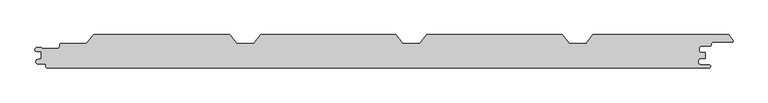
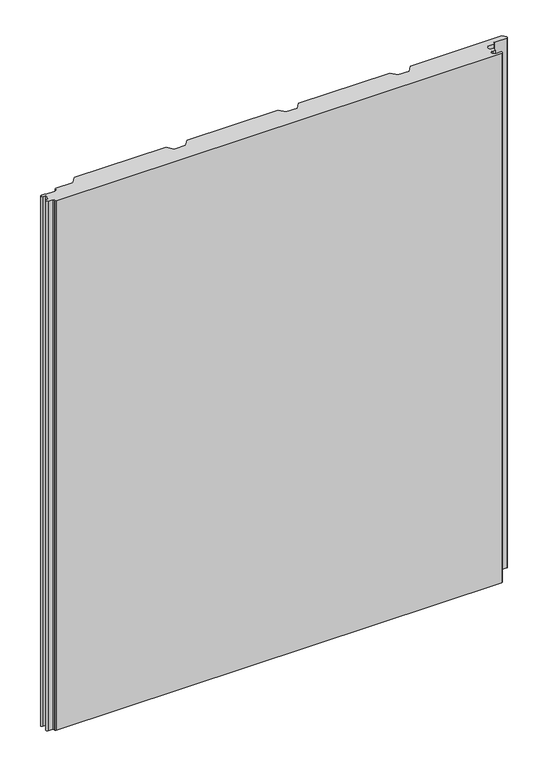
"""IFC4 building model written with IfcOpenShell, lengths in millimetres: proxy geometry."""

import ifcopenshell
import ifcopenshell.guid

model = None  # the IFC model being written
_history = None  # IfcOwnerHistory: only IFC2X3 demands one
_inside = {}  # id of a spatial element -> (the spatial element, [elements in it])
_under = {}  # id of a project, library or spatial element -> (it, [spatial elements below it])
_declared = {}  # id of a project -> (the project, [libraries it declares])
_typed = {}  # id of a type object -> (the type object, [elements of that type])
_made_of = {}  # id of a material, layer set ... -> (it, [elements and type objects made of it])


def new_model(schema):
    """Start an empty IFC model of exactly this schema.

    Asked for "IFC4X3", IfcOpenShell would pick the latest addendum, in which some entities
    have other attributes; the version numbers below select the first issue.
    IFC2X3 requires an IfcOwnerHistory on every rooted entity: one is made here for all.
    """
    global model, _history
    if schema == "IFC4X3":
        model = ifcopenshell.file(schema_version=(4, 3, 0, 0))
    else:
        model = ifcopenshell.file(schema=schema)
    _inside.clear()
    _under.clear()
    _declared.clear()
    _typed.clear()
    _made_of.clear()
    _history = None
    if model.schema == "IFC2X3":
        org = make("IfcOrganization", Name="unknown")
        user = make(
            "IfcPersonAndOrganization",
            ThePerson=make("IfcPerson", FamilyName="unknown"),
            TheOrganization=org,
        )
        app = make(
            "IfcApplication",
            ApplicationDeveloper=org,
            Version="unknown",
            ApplicationFullName="unknown",
            ApplicationIdentifier="unknown",
        )
        _history = make(
            "IfcOwnerHistory",
            OwningUser=user,
            OwningApplication=app,
            ChangeAction="ADDED",
            CreationDate=0,
        )
    return model


def make(cls, **values):
    """One entity of the class cls with the attributes given. An attribute that is None is left unset."""
    return model.create_entity(
        cls, **{name: value for name, value in values.items() if value is not None}
    )


def rooted(cls, **values):
    """An entity with a GlobalId (a new one), such as an element, a storey or a relation."""
    return make(cls, GlobalId=ifcopenshell.guid.new(), OwnerHistory=_history, **values)


def si_unit(unit_type, name, prefix=None):
    """IfcSIUnit, for example si_unit("LENGTHUNIT", "METRE", prefix="MILLI")."""
    return make("IfcSIUnit", UnitType=unit_type, Prefix=prefix, Name=name)


def assignment(units):
    """IfcUnitAssignment: the units of a project."""
    return None if units is None else make("IfcUnitAssignment", Units=units)


def point(xyz):
    """IfcCartesianPoint."""
    return None if xyz is None else make("IfcCartesianPoint", Coordinates=xyz)


def direction(xyz):
    """IfcDirection."""
    return None if xyz is None else make("IfcDirection", DirectionRatios=xyz)


def frame(location, z_axis=None, x_axis=None):
    """IfcAxis2Placement3D, a coordinate frame: its origin and axes. An axis left out is left unset."""
    return make(
        "IfcAxis2Placement3D",
        Location=point(location),
        Axis=direction(z_axis),
        RefDirection=direction(x_axis),
    )


def frame_2d(location, x_axis=None):
    """IfcAxis2Placement2D, a coordinate frame in the plane: its origin and x axis."""
    return make(
        "IfcAxis2Placement2D", Location=point(location), RefDirection=direction(x_axis)
    )


def origin():
    """The frame at (0, 0, 0) with its axes left unset."""
    return frame((0.0, 0.0, 0.0))


def origin_with_axes():
    """The frame at (0, 0, 0) with the z axis (0, 0, 1) and the x axis (1, 0, 0) written out."""
    return frame((0.0, 0.0, 0.0), z_axis=(0.0, 0.0, 1.0), x_axis=(1.0, 0.0, 0.0))


def place(relative_to, where):
    """IfcLocalPlacement: puts the frame where relative to a parent placement (None: the world)."""
    return make(
        "IfcLocalPlacement", PlacementRelTo=relative_to, RelativePlacement=where
    )


def context(
    kind, dimensions, precision=None, world=None, true_north=None, identifier=None
):
    """IfcGeometricRepresentationContext, for example the 3D "Model" context."""
    return make(
        "IfcGeometricRepresentationContext",
        ContextIdentifier=identifier,
        ContextType=kind,
        CoordinateSpaceDimension=dimensions,
        Precision=precision,
        WorldCoordinateSystem=world,
        TrueNorth=true_north,
    )


def project(units=None, contexts=None):
    """IfcProject with its units and contexts."""
    return rooted(
        "IfcProject",
        Name="project",
        RepresentationContexts=contexts,
        UnitsInContext=assignment(units),
    )


def spatial(cls, under=None, at=None, **own):
    """A site, building, storey or space (cls), placed at a placement, below another one or the project."""
    s = rooted(cls, ObjectPlacement=at, **own)
    if under is not None:
        _under.setdefault(under.id(), (under, []))[1].append(s)
    return s


def polyline(points):
    """IfcPolyline through the points."""
    return make("IfcPolyline", Points=[point(p) for p in points])


def circle_curve(where, radius):
    """IfcCircle in the frame where."""
    return make("IfcCircle", Position=where, Radius=radius)


def trimmed(basis, trim1, trim2, sense, master):
    """IfcTrimmedCurve: the piece of a basis curve between two trims."""
    return make(
        "IfcTrimmedCurve",
        BasisCurve=basis,
        Trim1=trim1,
        Trim2=trim2,
        SenseAgreement=sense,
        MasterRepresentation=master,
    )


def segment(curve, same_sense, transition):
    """IfcCompositeCurveSegment."""
    return make(
        "IfcCompositeCurveSegment",
        Transition=transition,
        SameSense=same_sense,
        ParentCurve=curve,
    )


def composite_curve(segments, self_intersect=None):
    """IfcCompositeCurve: segments joined end to end."""
    return make("IfcCompositeCurve", Segments=segments, SelfIntersect=self_intersect)


def outline(outer, holes=None, kind="AREA"):
    """IfcArbitraryClosedProfileDef: a profile drawn as a closed curve; with holes, ...WithVoids."""
    if holes is None:
        return make("IfcArbitraryClosedProfileDef", ProfileType=kind, OuterCurve=outer)
    return make(
        "IfcArbitraryProfileDefWithVoids",
        ProfileType=kind,
        OuterCurve=outer,
        InnerCurves=holes,
    )


def extrude(swept, where, along, depth):
    """IfcExtrudedAreaSolid: the profile swept, set in the frame where, extruded along a direction by depth."""
    return make(
        "IfcExtrudedAreaSolid",
        SweptArea=swept,
        Position=where,
        ExtrudedDirection=direction(along),
        Depth=depth,
    )


def shape(context_of_items, identifier, shape_type, items):
    """IfcShapeRepresentation: the items that make up one representation, for example the "Body"."""
    return make(
        "IfcShapeRepresentation",
        ContextOfItems=context_of_items,
        RepresentationIdentifier=identifier,
        RepresentationType=shape_type,
        Items=items,
    )


def source(mapping_origin, context_of_items, identifier, shape_type, items):
    """IfcRepresentationMap: a shape defined once, which mapped items show again and again."""
    return make(
        "IfcRepresentationMap",
        MappingOrigin=mapping_origin,
        MappedRepresentation=shape(context_of_items, identifier, shape_type, items),
    )


def transform(
    local_origin,
    x_axis=None,
    y_axis=None,
    z_axis=None,
    scale=None,
    scale2=None,
    scale3=None,
    uniform=True,
):
    """IfcCartesianTransformationOperator3D, or its non-uniform kind. x_axis, y_axis, z_axis: its Axis1, 2, 3."""
    if uniform:
        return make(
            "IfcCartesianTransformationOperator3D",
            Axis1=direction(x_axis),
            Axis2=direction(y_axis),
            LocalOrigin=point(local_origin),
            Scale=scale,
            Axis3=direction(z_axis),
        )
    return make(
        "IfcCartesianTransformationOperator3DnonUniform",
        Axis1=direction(x_axis),
        Axis2=direction(y_axis),
        LocalOrigin=point(local_origin),
        Scale=scale,
        Axis3=direction(z_axis),
        Scale2=scale2,
        Scale3=scale3,
    )


def mapped(mapping_source, mapping_target):
    """IfcMappedItem: shows the shape of a source again, moved by a transform."""
    return make(
        "IfcMappedItem", MappingSource=mapping_source, MappingTarget=mapping_target
    )


def made_of(thing, what):
    """Note that an element or type object is made of a material, layer set ...; save() writes the relation."""
    if what is not None:
        _made_of.setdefault(what.id(), (what, []))[1].append(thing)
    return thing


def element(
    cls,
    number,
    at=None,
    inside=None,
    cuts=None,
    type_object=None,
    material=None,
    context=None,
    identifier="Body",
    shape_type=None,
    held_by="IfcProductDefinitionShape",
    body=None,
    shapes=None,
    **own,
):
    """One element of the class cls, such as IfcWall. Its Tag is "e" and its number.

    at: its placement. inside: the storey or other place that contains it. cuts: it is an
    opening in that element (IfcRelVoidsElement). A single representation is given by context,
    identifier, shape_type and body (its items); several are given by shapes. held_by: the class
    of the entity that holds the representations. save() writes the other relations.
    """
    e = rooted(cls, Tag="e%d" % number, ObjectPlacement=at, **own)
    if body is not None:
        shapes = [shape(context, identifier, shape_type, body)]
    if shapes is not None:
        e.Representation = make(held_by, Representations=shapes)
    if inside is not None:
        _inside.setdefault(inside.id(), (inside, []))[1].append(e)
    if cuts is not None:
        rooted(
            "IfcRelVoidsElement", RelatingBuildingElement=cuts, RelatedOpeningElement=e
        )
    if type_object is not None:
        _typed.setdefault(type_object.id(), (type_object, []))[1].append(e)
    return made_of(e, material)


def aggregate(whole, parts):
    """IfcRelAggregates: a whole, such as a stair, and the parts it consists of."""
    return rooted("IfcRelAggregates", RelatingObject=whole, RelatedObjects=parts)


def save(model, path):
    """Write the relations noted so far, then the file.

    IfcRelAggregates (storeys below a building ...), IfcRelContainedInSpatialStructure (elements
    in a storey), IfcRelDefinesByType, IfcRelAssociatesMaterial and IfcRelDeclares: one each for
    every whole, place, type object, material and project.
    """
    for whole, parts in _under.values():
        aggregate(whole, parts)
    for where, things in _inside.values():
        rooted(
            "IfcRelContainedInSpatialStructure",
            RelatedElements=things,
            RelatingStructure=where,
        )
    for kind, things in _typed.values():
        rooted("IfcRelDefinesByType", RelatedObjects=things, RelatingType=kind)
    for what, things in _made_of.values():
        rooted("IfcRelAssociatesMaterial", RelatedObjects=things, RelatingMaterial=what)
    for by, libraries in _declared.values():
        rooted("IfcRelDeclares", RelatingContext=by, RelatedDefinitions=libraries)
    model.write(path)


def generic_models_ed605fe6(model_context):
    return source(origin(), model_context, "Body", "SweptSolid", [
        extrude(outline(composite_curve([segment(trimmed(circle_curve(frame_2d((497.8, -22.8)), 2.2), [point((497.8, -20.6))], [point((500.0, -22.8))], False, "CARTESIAN"), True, "CONTINUOUS"), segment(trimmed(circle_curve(frame_2d((497.8, -22.8)), 2.2), [point((500.0, -22.8))], [point((497.8, -25.0))], False, "CARTESIAN"), True, "CONTINUOUS"), segment(polyline([(497.8, -25.0), (-498.3, -25.0)]), True, "CONTINUOUS"), segment(trimmed(circle_curve(frame_2d((-498.3, -23.3)), 1.7), [point((-498.3, -25.0))], [point((-500.0, -23.3))], False, "CARTESIAN"), True, "CONTINUOUS"), segment(polyline([(-500.0, -23.3), (-500.0, -21.2)]), True, "CONTINUOUS"), segment(trimmed(circle_curve(frame_2d((-502.3, -21.2)), 2.3), [point((-500.0, -21.2))], [point((-502.3, -18.9))], True, "CARTESIAN"), True, "CONTINUOUS"), segment(polyline([(-502.3, -18.9), (-512.1, -18.9)]), True, "CONTINUOUS"), segment(trimmed(circle_curve(frame_2d((-512.1, -15.6)), 3.3), [point((-512.1, -18.9))], [point((-512.8423385, -12.3845788))], False, "CARTESIAN"), True, "CONTINUOUS"), segment(polyline([(-512.8423385, -12.3845788), (-507.347117, -11.115907), (-507.347117, -0.4369697), (-513.6706314, -0.4369697)]), True, "CONTINUOUS"), segment(trimmed(circle_curve(frame_2d((-513.6706314, 2.5444825)), 2.9814522), [point((-513.6706314, -0.4369697))], [point((-513.6706314, 5.5259348))], False, "CARTESIAN"), True, "CONTINUOUS"), segment(polyline([(-513.6706314, 5.5259348), (-507.3945609, 5.5259348)]), True, "CONTINUOUS"), segment(trimmed(circle_curve(frame_2d((-508.5138365, 3.7784532)), 2.0752035), [point((-507.3945609, 5.5259348))], [point((-506.7792948, 4.9176786))], False, "CARTESIAN"), True, "CONTINUOUS"), segment(trimmed(circle_curve(frame_2d((-505.0374222, 5.9004705)), 2.0), [point((-506.7792948, 4.9176786))], [point((-505.0374222, 3.9004705))], True, "CARTESIAN"), True, "CONTINUOUS"), segment(polyline([(-505.0374222, 3.9004705), (-482.9999474, 3.9004705)]), True, "CONTINUOUS"), segment(trimmed(circle_curve(frame_2d((-482.9999474, 7.3004705)), 3.4), [point((-482.9999474, 3.9004705))], [point((-479.5999474, 7.3004705))], True, "CARTESIAN"), True, "CONTINUOUS"), segment(polyline([(-479.5999474, 7.3004705), (-479.5999474, 9.6001056)]), True, "CONTINUOUS"), segment(trimmed(circle_curve(frame_2d((-477.1999474, 9.6001056)), 2.4), [point((-479.5999474, 9.6001056))], [point((-477.1999474, 12.0001056))], False, "CARTESIAN"), True, "CONTINUOUS"), segment(polyline([(-477.1999474, 12.0001056), (-440.0250086, 12.0001056)]), True, "CONTINUOUS"), segment(trimmed(circle_curve(frame_2d((-440.0250086, 14.4001056)), 2.4), [point((-440.0250086, 12.0001056))], [point((-438.1509234, 12.9008374))], True, "CARTESIAN"), True, "CONTINUOUS"), segment(polyline([(-438.1509234, 12.9008374), (-429.1021057, 24.2118596)]), True, "CONTINUOUS"), segment(trimmed(circle_curve(frame_2d((-427.4622812, 22.9)), 2.1), [point((-429.1021057, 24.2118596))], [point((-427.4622812, 25.0))], False, "CARTESIAN"), True, "CONTINUOUS"), segment(polyline([(-427.4622812, 25.0), (-223.3843192, 25.0), (-212.9844163, 12.0), (-187.3999029, 12.0), (-177.0, 25.0), (26.6156808, 25.0), (37.0155837, 12.0), (62.6000971, 12.0), (73.0, 25.0), (276.6156808, 25.0), (287.0155837, 12.0), (312.6000971, 12.0), (323.0, 25.0), (527.1673425, 25.0), (533.3977704, 17.2119652)]), True, "CONTINUOUS"), segment(trimmed(circle_curve(frame_2d((531.7579459, 15.9001056)), 2.1), [point((533.3977704, 17.2119652))], [point((531.7579459, 13.8001056))], False, "CARTESIAN"), True, "CONTINUOUS"), segment(polyline([(531.7579459, 13.8001056), (503.3603917, 13.8001056)]), True, "CONTINUOUS"), segment(trimmed(circle_curve(frame_2d((503.3603917, 11.8001056)), 2.0), [point((503.3603917, 13.8001056))], [point((501.3603917, 11.8001056))], True, "CARTESIAN"), True, "CONTINUOUS"), segment(polyline([(501.3603917, 11.8001056), (501.3603917, 9.8331556)]), True, "CONTINUOUS"), segment(trimmed(circle_curve(frame_2d((499.3603917, 9.8331556)), 2.0), [point((501.3603917, 9.8331556))], [point((499.3603917, 7.8331556))], False, "CARTESIAN"), True, "CONTINUOUS"), segment(polyline([(499.3603917, 7.8331556), (485.634822, 7.8331556)]), True, "CONTINUOUS"), segment(trimmed(circle_curve(frame_2d((485.634822, 5.0831556)), 2.7499999), [point((485.634822, 7.8331556))], [point((482.8848221, 5.0831556))], True, "CARTESIAN"), True, "CONTINUOUS"), segment(polyline([(482.8848221, 5.0831556), (482.8848221, 0.5831555)]), True, "CONTINUOUS"), segment(trimmed(circle_curve(frame_2d((485.634822, 0.5831555)), 2.7499999), [point((482.8848221, 0.5831555))], [point((485.634822, -2.1668444))], True, "CARTESIAN"), True, "CONTINUOUS"), segment(polyline([(485.634822, -2.1668444), (491.826199, -2.1668444), (491.826199, -10.5637731), (486.1740239, -10.5637731)]), True, "CONTINUOUS"), segment(trimmed(circle_curve(frame_2d((486.1740239, -15.5818865)), 5.0181135), [point((486.1740239, -10.5637731))], [point((486.1740239, -20.6))], True, "CARTESIAN"), True, "CONTINUOUS"), segment(polyline([(486.1740239, -20.6), (497.8, -20.6)]), True, "CONTINUOUS")], self_intersect=False)), origin_with_axes(), (0.0, 0.0, 1.0), 1250.0),
    ])


if __name__ == "__main__":
    model = new_model("IFC4")
    model_context = context("Model", 3, world=origin())
    ifc_project = project(units=[si_unit("LENGTHUNIT", "METRE", prefix="MILLI")], contexts=[model_context])
    site = spatial("IfcSite", under=ifc_project)
    building = spatial("IfcBuilding", under=site)
    placement = place(None, origin())
    generic_models_shape = generic_models_ed605fe6(model_context)
    element("IfcBuildingElementProxy", 1, Name="Generic Models", at=placement, inside=building, context=model_context, shape_type="MappedRepresentation", body=[
        mapped(generic_models_shape, transform((0.0, 0.0, 0.0), x_axis=(1.0, 0.0, 0.0), y_axis=(0.0, 1.0, 0.0), z_axis=(0.0, 0.0, 1.0))),
    ])
    save(model, "model.ifc")
